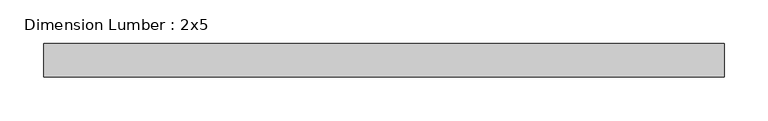
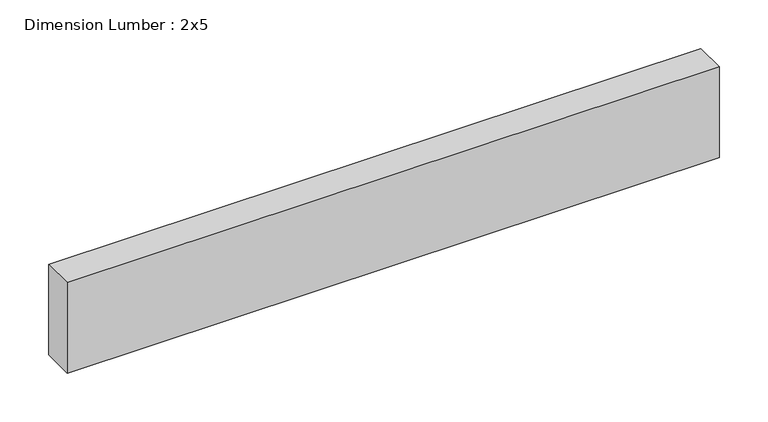
"""IFC4 building model written with IfcOpenShell, lengths in millimetres: beam geometry, Dimension Lumber : 2x5."""

from ifc_helpers import new_model, si_unit, frame, origin, place, context, project, spatial, polyline, outline, extrude, source, transform, mapped, element, save


def dimension_lumber_2x5_7b6bcd93(model_context):
    return source(origin(), model_context, "Body", "SweptSolid", [
        extrude(outline(polyline([(388.0454054, 19.05), (388.0454054, -19.05), (-388.0454054, -19.05), (-388.0454054, 19.05), (388.0454054, 19.05)])), frame((0.0, 0.0, -57.15), z_axis=(0.0, 0.0, 1.0), x_axis=(1.0, 0.0, 0.0)), (0.0, 0.0, 1.0), 114.3),
    ])


if __name__ == "__main__":
    model = new_model("IFC4")
    model_context = context("Model", 3, world=origin())
    ifc_project = project(units=[si_unit("LENGTHUNIT", "METRE", prefix="MILLI")], contexts=[model_context])
    site = spatial("IfcSite", under=ifc_project)
    building = spatial("IfcBuilding", under=site)
    placement = place(None, origin())
    dimension_lumber_2x5_shape = dimension_lumber_2x5_7b6bcd93(model_context)
    element("IfcBeam", 1, ObjectType="Dimension Lumber : 2x5", at=placement, inside=building, context=model_context, shape_type="MappedRepresentation", body=[
        mapped(dimension_lumber_2x5_shape, transform((0.0, 0.0, 0.0), x_axis=(1.0, 0.0, 0.0), y_axis=(0.0, 1.0, 0.0), z_axis=(0.0, 0.0, 1.0))),
    ])
    save(model, "model.ifc")
